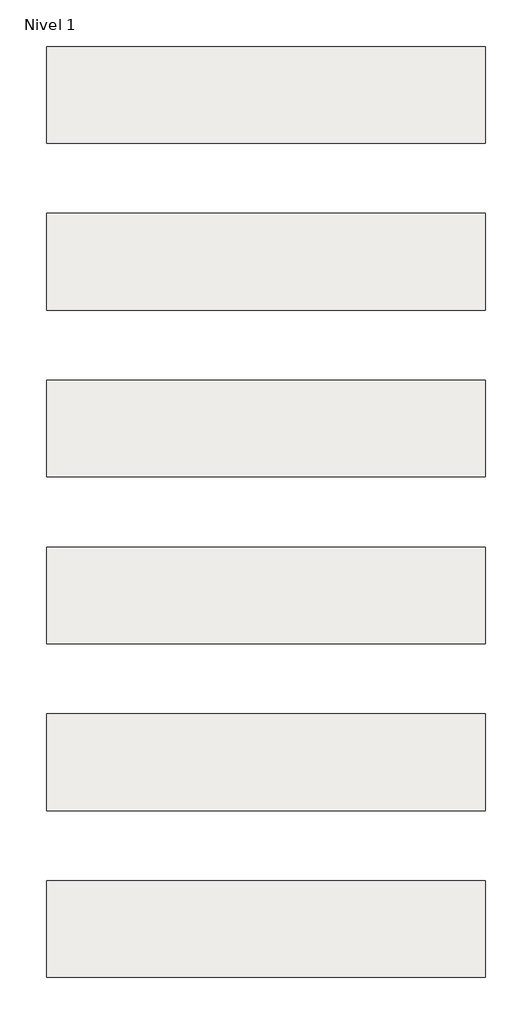
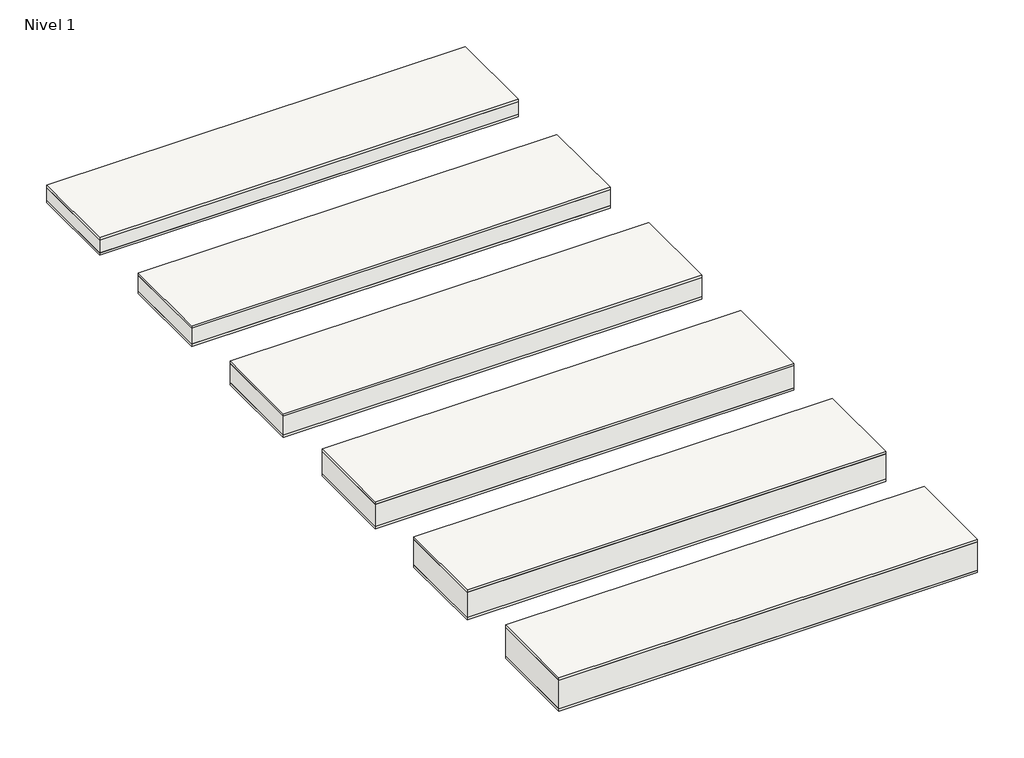
# One storey: 6 roofs.
"""IFC4 building model written with IfcOpenShell, lengths in millimetres."""

from ifc_helpers import new_model, si_unit, frame, origin, origin_with_axes, place, context, project, spatial, polyline, outline, extrude, element, save

model = new_model("IFC4")

# Units and contexts
model_context = context("Model", 3, world=origin())
ifc_project = project(units=[si_unit("LENGTHUNIT", "METRE", prefix="MILLI")], contexts=[model_context])

# Site, building, storey
site = spatial("IfcSite", under=ifc_project)
building = spatial("IfcBuilding", under=site)
storey = spatial("IfcBuildingStorey", under=building, Name="Nivel 1", Elevation=0.0)

# Roofs
placement = place(None, origin())
element("IfcRoof", 1, at=placement, inside=storey, context=model_context, shape_type="SweptSolid", body=[
    extrude(outline(polyline([(-3824.6699095, -6894.5376473), (-1324.6699095, -6894.5376473), (-1324.6699095, -7444.5376473), (-3824.6699095, -7444.5376473), (-3824.6699095, -6894.5376473)])), frame((0.0, 0.0, 115.0), z_axis=(0.0, 0.0, 1.0), x_axis=(1.0, 0.0, 0.0)), (0.0, 0.0, 1.0), 15.0),
    extrude(outline(polyline([(-3824.6699095, -6894.5376473), (-1324.6699095, -6894.5376473), (-1324.6699095, -7444.5376473), (-3824.6699095, -7444.5376473), (-3824.6699095, -6894.5376473)])), frame((0.0, 0.0, 15.0), z_axis=(0.0, 0.0, 1.0), x_axis=(1.0, 0.0, 0.0)), (0.0, 0.0, 1.0), 100.0),
    extrude(outline(polyline([(-3824.6699095, -6894.5376473), (-1324.6699095, -6894.5376473), (-1324.6699095, -7444.5376473), (-3824.6699095, -7444.5376473), (-3824.6699095, -6894.5376473)])), origin_with_axes(), (0.0, 0.0, 1.0), 15.0),
])
element("IfcRoof", 2, at=placement, inside=storey, context=model_context, shape_type="SweptSolid", body=[
    extrude(outline(polyline([(-3824.6699095, -5944.5376473), (-1324.6699095, -5944.5376473), (-1324.6699095, -6494.5376473), (-3824.6699095, -6494.5376473), (-3824.6699095, -5944.5376473)])), frame((0.0, 0.0, 95.0), z_axis=(0.0, 0.0, 1.0), x_axis=(1.0, 0.0, 0.0)), (0.0, 0.0, 1.0), 15.0),
    extrude(outline(polyline([(-3824.6699095, -5944.5376473), (-1324.6699095, -5944.5376473), (-1324.6699095, -6494.5376473), (-3824.6699095, -6494.5376473), (-3824.6699095, -5944.5376473)])), frame((0.0, 0.0, 15.0), z_axis=(0.0, 0.0, 1.0), x_axis=(1.0, 0.0, 0.0)), (0.0, 0.0, 1.0), 80.0),
    extrude(outline(polyline([(-3824.6699095, -5944.5376473), (-1324.6699095, -5944.5376473), (-1324.6699095, -6494.5376473), (-3824.6699095, -6494.5376473), (-3824.6699095, -5944.5376473)])), origin_with_axes(), (0.0, 0.0, 1.0), 15.0),
])
element("IfcRoof", 3, at=placement, inside=storey, context=model_context, shape_type="SweptSolid", body=[
    extrude(outline(polyline([(-3824.6699095, -7844.5376473), (-1324.6699095, -7844.5376473), (-1324.6699095, -8394.5376473), (-3824.6699095, -8394.5376473), (-3824.6699095, -7844.5376473)])), frame((0.0, 0.0, 135.0), z_axis=(0.0, 0.0, 1.0), x_axis=(1.0, 0.0, 0.0)), (0.0, 0.0, 1.0), 15.0),
    extrude(outline(polyline([(-3824.6699095, -7844.5376473), (-1324.6699095, -7844.5376473), (-1324.6699095, -8394.5376473), (-3824.6699095, -8394.5376473), (-3824.6699095, -7844.5376473)])), frame((0.0, 0.0, 15.0), z_axis=(0.0, 0.0, 1.0), x_axis=(1.0, 0.0, 0.0)), (0.0, 0.0, 1.0), 120.0),
    extrude(outline(polyline([(-3824.6699095, -7844.5376473), (-1324.6699095, -7844.5376473), (-1324.6699095, -8394.5376473), (-3824.6699095, -8394.5376473), (-3824.6699095, -7844.5376473)])), origin_with_axes(), (0.0, 0.0, 1.0), 15.0),
])
element("IfcRoof", 4, at=placement, inside=storey, context=model_context, shape_type="SweptSolid", body=[
    extrude(outline(polyline([(-3824.6699095, -8794.5376473), (-1324.6699095, -8794.5376473), (-1324.6699095, -9344.5376473), (-3824.6699095, -9344.5376473), (-3824.6699095, -8794.5376473)])), frame((0.0, 0.0, 155.0), z_axis=(0.0, 0.0, 1.0), x_axis=(1.0, 0.0, 0.0)), (0.0, 0.0, 1.0), 15.0),
    extrude(outline(polyline([(-3824.6699095, -8794.5376473), (-1324.6699095, -8794.5376473), (-1324.6699095, -9344.5376473), (-3824.6699095, -9344.5376473), (-3824.6699095, -8794.5376473)])), frame((0.0, 0.0, 15.0), z_axis=(0.0, 0.0, 1.0), x_axis=(1.0, 0.0, 0.0)), (0.0, 0.0, 1.0), 140.0),
    extrude(outline(polyline([(-3824.6699095, -8794.5376473), (-1324.6699095, -8794.5376473), (-1324.6699095, -9344.5376473), (-3824.6699095, -9344.5376473), (-3824.6699095, -8794.5376473)])), origin_with_axes(), (0.0, 0.0, 1.0), 15.0),
])
element("IfcRoof", 5, at=placement, inside=storey, context=model_context, shape_type="SweptSolid", body=[
    extrude(outline(polyline([(-3824.6699095, -9744.5376473), (-1324.6699095, -9744.5376473), (-1324.6699095, -10294.5376473), (-3824.6699095, -10294.5376473), (-3824.6699095, -9744.5376473)])), frame((0.0, 0.0, 175.0), z_axis=(0.0, 0.0, 1.0), x_axis=(1.0, 0.0, 0.0)), (0.0, 0.0, 1.0), 15.0),
    extrude(outline(polyline([(-3824.6699095, -9744.5376473), (-1324.6699095, -9744.5376473), (-1324.6699095, -10294.5376473), (-3824.6699095, -10294.5376473), (-3824.6699095, -9744.5376473)])), frame((0.0, 0.0, 15.0), z_axis=(0.0, 0.0, 1.0), x_axis=(1.0, 0.0, 0.0)), (0.0, 0.0, 1.0), 160.0),
    extrude(outline(polyline([(-3824.6699095, -9744.5376473), (-1324.6699095, -9744.5376473), (-1324.6699095, -10294.5376473), (-3824.6699095, -10294.5376473), (-3824.6699095, -9744.5376473)])), origin_with_axes(), (0.0, 0.0, 1.0), 15.0),
])
element("IfcRoof", 6, at=placement, inside=storey, context=model_context, shape_type="SweptSolid", body=[
    extrude(outline(polyline([(-3824.6699095, -10694.5376473), (-1324.6699095, -10694.5376473), (-1324.6699095, -11244.5376473), (-3824.6699095, -11244.5376473), (-3824.6699095, -10694.5376473)])), frame((0.0, 0.0, 195.0), z_axis=(0.0, 0.0, 1.0), x_axis=(1.0, 0.0, 0.0)), (0.0, 0.0, 1.0), 15.0),
    extrude(outline(polyline([(-3824.6699095, -10694.5376473), (-1324.6699095, -10694.5376473), (-1324.6699095, -11244.5376473), (-3824.6699095, -11244.5376473), (-3824.6699095, -10694.5376473)])), frame((0.0, 0.0, 15.0), z_axis=(0.0, 0.0, 1.0), x_axis=(1.0, 0.0, 0.0)), (0.0, 0.0, 1.0), 180.0),
    extrude(outline(polyline([(-3824.6699095, -10694.5376473), (-1324.6699095, -10694.5376473), (-1324.6699095, -11244.5376473), (-3824.6699095, -11244.5376473), (-3824.6699095, -10694.5376473)])), origin_with_axes(), (0.0, 0.0, 1.0), 15.0),
])

save(model, "model.ifc")
